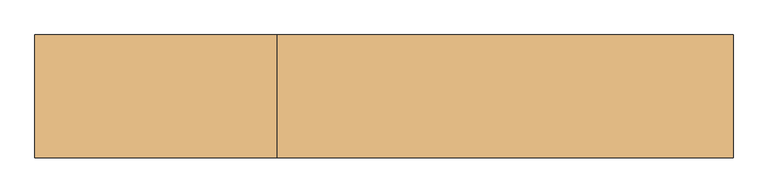
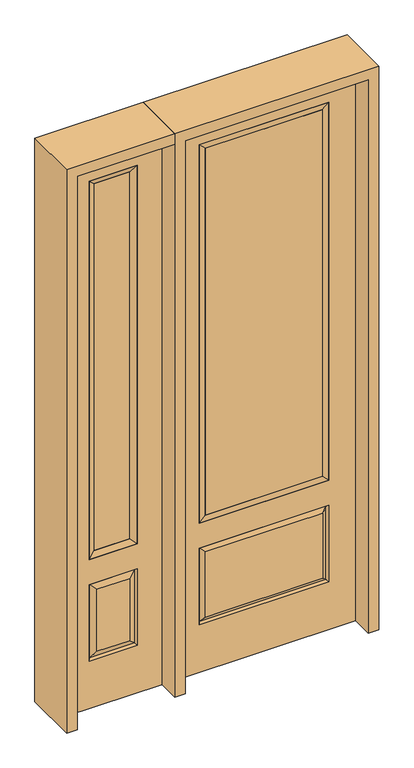
"""IFC4 building model written with IfcOpenShell, lengths in millimetres: door geometry."""

from ifc_helpers import new_model, si_unit, frame, origin, place, context, project, spatial, polyline, outline, extrude, faceted_brep, source, transform, mapped, element, save


def door_4c5ae29b(model_context):
    return source(origin(), model_context, "Body", "SolidModel", [
        faceted_brep([(-831.85, -22.225, 0.0), (-425.45, -22.225, 0.0), (-425.45, -22.225, 2438.4), (-831.85, -22.225, 2438.4), (-528.32, -22.225, 2325.624), (-528.32, -22.225, 657.098), (-728.98, -22.225, 657.098), (-728.98, -22.225, 2325.624), (-528.32, -22.225, 209.55), (-728.98, -22.225, 209.55), (-728.98, -22.225, 546.1), (-528.32, -22.225, 546.1), (-697.2648999, -22.225, 241.2651001), (-560.0351001, -22.225, 241.2651001), (-560.0351001, -22.225, 514.3848999), (-697.2648999, -22.225, 514.3848999), (-831.85, 22.225, 0.0), (-831.85, 22.225, 2438.4), (-425.45, 22.225, 2438.4), (-425.45, 22.225, 0.0), (-528.32, 22.225, 2325.624), (-728.98, 22.225, 2325.624), (-728.98, 22.225, 657.098), (-528.32, 22.225, 657.098), (-728.98, 22.225, 209.55), (-528.32, 22.225, 209.55), (-528.32, 22.225, 546.1), (-728.98, 22.225, 546.1), (-560.0351001, 22.225, 241.2651001), (-697.2648999, 22.225, 241.2651001), (-697.2648999, 22.225, 514.3848999), (-560.0351001, 22.225, 514.3848999), (-535.4288501, 12.7912373, 216.6588501), (-721.8711499, 12.7912373, 216.6588501), (-721.8711499, 12.7912373, 538.9911499), (-535.4288501, 12.7912373, 538.9911499), (-721.8711499, -12.7912373, 216.6588501), (-535.4288501, -12.7912373, 216.6588501), (-721.8711499, -12.7912373, 538.9911499), (-535.4288501, -12.7912373, 538.9911499)], [[[0, 1, 2, 3], [4, 5, 6, 7], [8, 9, 10, 11]], [[12, 13, 14, 15]], [[16, 17, 18, 19], [20, 21, 22, 23], [24, 25, 26, 27]], [[28, 29, 30, 31]], [[1, 0, 16, 19]], [[2, 1, 19, 18]], [[3, 2, 18, 17]], [[0, 3, 17, 16]], [[5, 4, 20, 23]], [[6, 5, 23, 22]], [[7, 6, 22, 21]], [[4, 7, 21, 20]], [[32, 33, 29, 28]], [[33, 32, 25, 24]], [[29, 33, 34, 30]], [[33, 24, 27, 34]], [[30, 34, 35, 31]], [[34, 27, 26, 35]], [[32, 28, 31, 35]], [[25, 32, 35, 26]], [[12, 36, 37, 13]], [[37, 36, 9, 8]], [[36, 12, 15, 38]], [[9, 36, 38, 10]], [[38, 15, 14, 39]], [[10, 38, 39, 11]], [[13, 37, 39, 14]], [[37, 8, 11, 39]]]),
        faceted_brep([(-728.98, 22.225, 2325.624), (-728.98, -22.225, 2325.624), (-528.32, -22.225, 2325.624), (-528.32, 22.225, 2325.624), (-703.58, 12.7, 2300.224), (-553.72, 12.7, 2300.224), (-703.58, -12.7, 2300.224), (-553.72, -12.7, 2300.224), (-528.32, -22.225, 657.098), (-528.32, 22.225, 657.098), (-553.72, 12.7, 682.498), (-553.72, -12.7, 682.498), (-728.98, -22.225, 657.098), (-728.98, 22.225, 657.098), (-703.58, 12.7, 682.498), (-703.58, -12.7, 682.498)], [[[0, 1, 2, 3]], [[4, 0, 3, 5]], [[6, 4, 5, 7]], [[1, 6, 7, 2]], [[3, 2, 8, 9]], [[5, 3, 9, 10]], [[7, 5, 10, 11]], [[2, 7, 11, 8]], [[9, 8, 12, 13]], [[10, 9, 13, 14]], [[11, 10, 14, 15]], [[8, 11, 15, 12]], [[13, 12, 1, 0]], [[14, 13, 0, 4]], [[15, 14, 4, 6]], [[12, 15, 6, 1]]]),
        extrude(outline(polyline([(-553.72, -12.7), (-703.58, -12.7), (-703.58, 12.7), (-553.72, 12.7), (-553.72, -12.7)])), frame((0.0, 0.0, 682.498), z_axis=(0.0, 0.0, 1.0), x_axis=(1.0, 0.0, 0.0)), (0.0, 0.0, 1.0), 1617.726),
        extrude(outline(polyline([(244.475, -20.32), (-244.475, -20.32), (-244.475, 5.08), (244.475, 5.08), (244.475, -20.32)])), frame((0.0, 0.0, 682.498), z_axis=(0.0, 0.0, 1.0), x_axis=(1.0, 0.0, 0.0)), (0.0, 0.0, 1.0), 1616.202),
        faceted_brep([(-262.7661499, -12.7912373, 216.6588501), (262.7661499, -12.7912373, 216.6588501), (245.26875, -22.225, 234.15625), (-245.26875, -22.225, 234.15625), (-269.875, -22.225, 209.55), (269.875, -22.225, 209.55), (-262.7661499, -12.7912373, 538.9911499), (-269.875, -22.225, 546.1), (245.26875, -22.225, 521.49375), (-245.26875, -22.225, 521.49375), (381.0, -22.225, 2438.4), (-381.0, -22.225, 2438.4), (-381.0, -22.225, 0.0), (381.0, -22.225, 0.0), (269.875, -22.225, 546.1), (269.875, -22.225, 2324.1), (269.875, -22.225, 657.098), (-269.875, -22.225, 657.098), (-269.875, -22.225, 2324.1), (262.7661499, -12.7912373, 538.9911499), (-381.0, 22.225, 2438.4), (-381.0, 22.225, 0.0), (381.0, 22.225, 0.0), (381.0, 22.225, 2438.4), (269.875, 22.225, 2324.1), (269.875, 22.225, 657.098), (-269.875, 22.225, 657.098), (-269.875, 22.225, 2324.1), (-269.875, 22.225, 209.55), (269.875, 22.225, 209.55), (269.875, 22.225, 546.1), (-269.875, 22.225, 546.1), (245.26875, 22.225, 234.15625), (-245.26875, 22.225, 234.15625), (-245.26875, 22.225, 521.49375), (245.26875, 22.225, 521.49375), (-262.7661499, 12.7912373, 216.6588501), (262.7661499, 12.7912373, 216.6588501), (262.7661499, 12.7912373, 538.9911499), (-262.7661499, 12.7912373, 538.9911499)], [[[0, 1, 2, 3]], [[1, 0, 4, 5]], [[4, 0, 6, 7]], [[3, 2, 8, 9]], [[10, 11, 12, 13], [5, 4, 7, 14], [15, 16, 17, 18]], [[1, 5, 14, 19]], [[2, 1, 19, 8]], [[0, 3, 9, 6]], [[7, 6, 19, 14]], [[6, 9, 8, 19]], [[12, 11, 20, 21]], [[13, 12, 21, 22]], [[10, 13, 22, 23]], [[16, 15, 24, 25]], [[17, 16, 25, 26]], [[18, 17, 26, 27]], [[23, 22, 21, 20], [28, 29, 30, 31], [24, 27, 26, 25]], [[32, 33, 34, 35]], [[28, 36, 37, 29]], [[29, 37, 38, 30]], [[39, 31, 30, 38]], [[36, 28, 31, 39]], [[37, 36, 33, 32]], [[33, 36, 39, 34]], [[34, 39, 38, 35]], [[37, 32, 35, 38]], [[11, 10, 23, 20]], [[15, 18, 27, 24]]]),
        faceted_brep([(-269.875, -22.225, 2324.1), (-269.875, 22.225, 2324.1), (-269.875, 22.225, 657.098), (-269.875, -22.225, 657.098), (269.875, 22.225, 657.098), (269.875, -22.225, 657.098), (-244.475, 5.08, 682.498), (244.475, 5.08, 682.498), (269.875, 22.225, 2324.1), (269.875, -22.225, 2324.1), (-244.475, -20.32, 682.498), (244.475, -20.32, 682.498), (-244.475, -20.32, 2298.7), (244.475, -20.32, 2298.7), (-244.475, 5.08, 2298.7), (244.475, 5.08, 2298.7)], [[[0, 1, 2, 3]], [[3, 2, 4, 5]], [[2, 6, 7, 4]], [[5, 4, 8, 9]], [[10, 3, 5, 11]], [[12, 0, 3, 10]], [[11, 5, 9, 13]], [[6, 10, 11, 7]], [[14, 12, 10, 6]], [[7, 11, 13, 15]], [[1, 14, 6, 2]], [[4, 7, 15, 8]], [[9, 8, 1, 0]], [[13, 9, 0, 12]], [[15, 13, 12, 14]], [[8, 15, 14, 1]]]),
        extrude(outline(polyline([(2438.4, -425.45), (2482.85, -425.45), (2482.85, -876.3), (0.0, -876.3), (0.0, -831.85), (2438.4, -831.85), (2438.4, -425.45)])), frame((0.0, -114.3, 0.0), z_axis=(0.0, 1.0, 0.0), x_axis=(0.0, 0.0, 1.0)), (0.0, 0.0, 1.0), 228.6),
        extrude(outline(polyline([(2482.85, -425.45), (0.0, -425.45), (0.0, -381.0), (2438.4, -381.0), (2438.4, 381.0), (0.0, 381.0), (0.0, 425.45), (2482.85, 425.45), (2482.85, -425.45)])), frame((0.0, -114.3, 0.0), z_axis=(0.0, 1.0, 0.0), x_axis=(0.0, 0.0, 1.0)), (0.0, 0.0, 1.0), 228.6),
    ])


if __name__ == "__main__":
    model = new_model("IFC4")
    model_context = context("Model", 3, world=origin())
    ifc_project = project(units=[si_unit("LENGTHUNIT", "METRE", prefix="MILLI")], contexts=[model_context])
    site = spatial("IfcSite", under=ifc_project)
    building = spatial("IfcBuilding", under=site)
    placement = place(None, origin())
    door_shape = door_4c5ae29b(model_context)
    element("IfcDoor", 1, at=placement, inside=building, context=model_context, shape_type="MappedRepresentation", body=[
        mapped(door_shape, transform((0.0, 0.0, 0.0), x_axis=(1.0, 0.0, 0.0), y_axis=(0.0, 1.0, 0.0), z_axis=(0.0, 0.0, 1.0))),
    ])
    save(model, "model.ifc")
